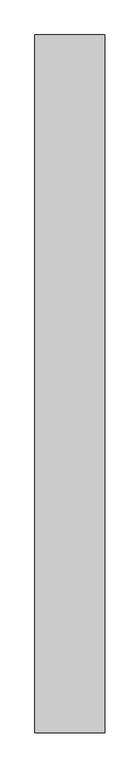
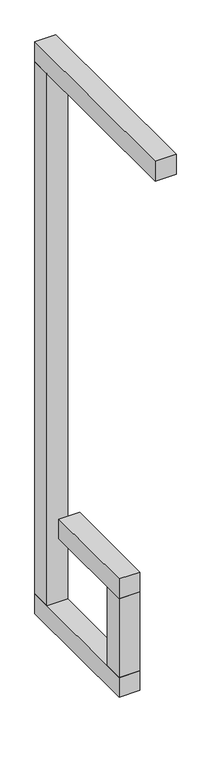
"""IFC4 building model written with IfcOpenShell, lengths in millimetres: proxy geometry."""

from ifc_helpers import new_model, si_unit, frame, origin, origin_with_axes, place, context, project, spatial, polyline, outline, extrude, source, transform, mapped, element, save


def generic_models_5cc83bfe(model_context):
    return source(origin(), model_context, "Body", "SweptSolid", [
        extrude(outline(polyline([(100.0, 700.0), (100.0, -300.0), (0.0, -300.0), (0.0, 700.0), (100.0, 700.0)])), frame((0.0, 0.0, 2800.0), z_axis=(0.0, 0.0, 1.0), x_axis=(1.0, 0.0, 0.0)), (0.0, 0.0, 1.0), 100.0),
        extrude(outline(polyline([(100.0, 700.0), (100.0, 600.0), (0.0, 600.0), (0.0, 700.0), (100.0, 700.0)])), frame((0.0, 0.0, 100.0), z_axis=(0.0, 0.0, 1.0), x_axis=(1.0, 0.0, 0.0)), (0.0, 0.0, 1.0), 2700.0),
        extrude(outline(polyline([(100.0, 500.0), (100.0, 0.0), (0.0, 0.0), (0.0, 500.0), (100.0, 500.0)])), frame((0.0, 0.0, 500.0), z_axis=(0.0, 0.0, 1.0), x_axis=(1.0, 0.0, 0.0)), (0.0, 0.0, 1.0), 100.0),
        extrude(outline(polyline([(100.0, 100.0), (100.0, 0.0), (0.0, 0.0), (0.0, 100.0), (100.0, 100.0)])), frame((0.0, 0.0, 100.0), z_axis=(0.0, 0.0, 1.0), x_axis=(1.0, 0.0, 0.0)), (0.0, 0.0, 1.0), 400.0),
        extrude(outline(polyline([(100.0, 700.0), (100.0, 0.0), (0.0, 0.0), (0.0, 700.0), (100.0, 700.0)])), origin_with_axes(), (0.0, 0.0, 1.0), 100.0),
    ])


if __name__ == "__main__":
    model = new_model("IFC4")
    model_context = context("Model", 3, world=origin())
    ifc_project = project(units=[si_unit("LENGTHUNIT", "METRE", prefix="MILLI")], contexts=[model_context])
    site = spatial("IfcSite", under=ifc_project)
    building = spatial("IfcBuilding", under=site)
    placement = place(None, origin())
    generic_models_shape = generic_models_5cc83bfe(model_context)
    element("IfcBuildingElementProxy", 1, Name="Generic Models", at=placement, inside=building, context=model_context, shape_type="MappedRepresentation", body=[
        mapped(generic_models_shape, transform((0.0, 0.0, 0.0), x_axis=(1.0, 0.0, 0.0), y_axis=(0.0, 1.0, 0.0), z_axis=(0.0, 0.0, 1.0))),
    ])
    save(model, "model.ifc")
